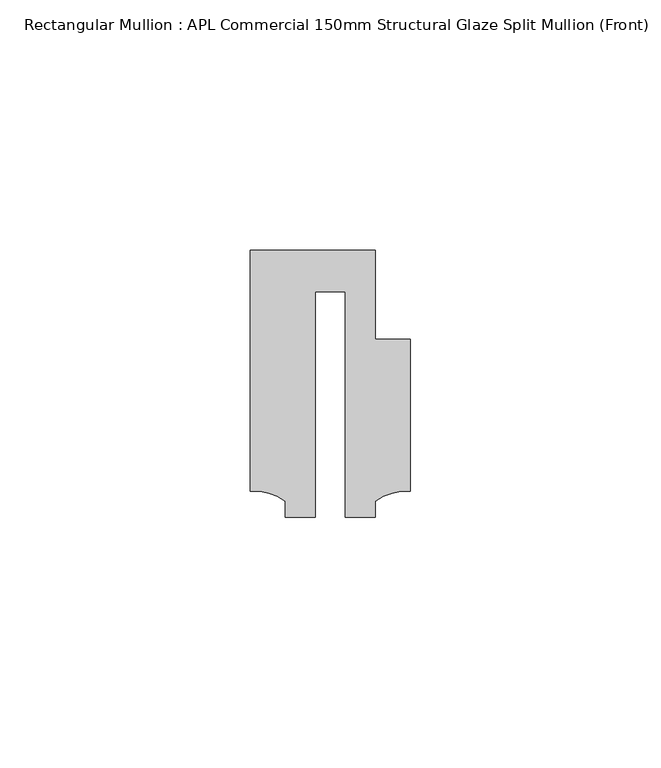
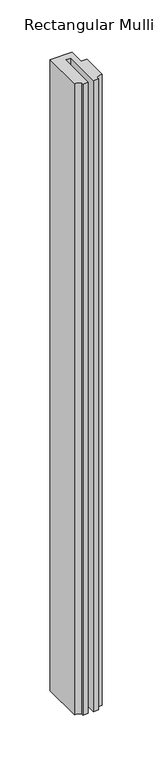
"""IFC4 building model written with IfcOpenShell, lengths in millimetres: member geometry, Rectangular Mullion : APL Commercial 150mm Structural Glaze Split Mullion (Front)."""

from ifc_helpers import new_model, si_unit, point, frame, frame_2d, origin, place, context, project, spatial, polyline, circle_curve, trimmed, segment, composite_curve, outline, extrude, source, transform, mapped, element, save


def rectangular_mullion_apl_commercial_150mm_structural_glaze_7a91f57c(model_context):
    return source(origin(), model_context, "Body", "SweptSolid", [
        extrude(outline(composite_curve([segment(polyline([(15.9999391, 14.9953356), (15.9999391, -15.3837352)]), True, "CONTINUOUS"), segment(trimmed(circle_curve(frame_2d((15.1098019, -25.802169)), 10.4563907), [point((15.9999391, -15.3837352))], [point((8.9999842, -17.3165203))], True, "CARTESIAN"), True, "CONTINUOUS"), segment(polyline([(8.9999842, -17.3165203), (8.9999842, -20.5039877), (2.9999676, -20.5039877), (2.9999676, 24.5130805), (-2.9999659, 24.5130805), (-2.9999659, -20.5039877), (-8.9999842, -20.5039877), (-8.9999842, -17.3165203)]), True, "CONTINUOUS"), segment(trimmed(circle_curve(frame_2d((-15.1098019, -25.802169)), 10.4563907), [point((-8.9999842, -17.3165203))], [point((-15.9999391, -15.3837352))], True, "CARTESIAN"), True, "CONTINUOUS"), segment(polyline([(-15.9999391, -15.3837352), (-15.9999391, 32.7960123), (9.0, 32.7960123), (9.0, 14.9953356), (15.9999391, 14.9953356)]), True, "CONTINUOUS")], self_intersect=False)), frame((0.0, 0.0, -766.0402479), z_axis=(0.0, 0.0, 1.0), x_axis=(1.0, 0.0, 0.0)), (0.0, 0.0, 1.0), 766.0402479),
    ])


if __name__ == "__main__":
    model = new_model("IFC4")
    model_context = context("Model", 3, world=origin())
    ifc_project = project(units=[si_unit("LENGTHUNIT", "METRE", prefix="MILLI")], contexts=[model_context])
    site = spatial("IfcSite", under=ifc_project)
    building = spatial("IfcBuilding", under=site)
    placement = place(None, origin())
    rectangular_mullion_apl_commercial_150mm_structural_glaze_shape = rectangular_mullion_apl_commercial_150mm_structural_glaze_7a91f57c(model_context)
    element("IfcMember", 1, ObjectType="Rectangular Mullion : APL Commercial 150mm Structural Glaze Split Mullion (Front)", at=placement, inside=building, context=model_context, shape_type="MappedRepresentation", body=[
        mapped(rectangular_mullion_apl_commercial_150mm_structural_glaze_shape, transform((0.0, 0.0, 0.0), x_axis=(1.0, 0.0, 0.0), y_axis=(0.0, 1.0, 0.0), z_axis=(0.0, 0.0, 1.0))),
    ])
    save(model, "model.ifc")
